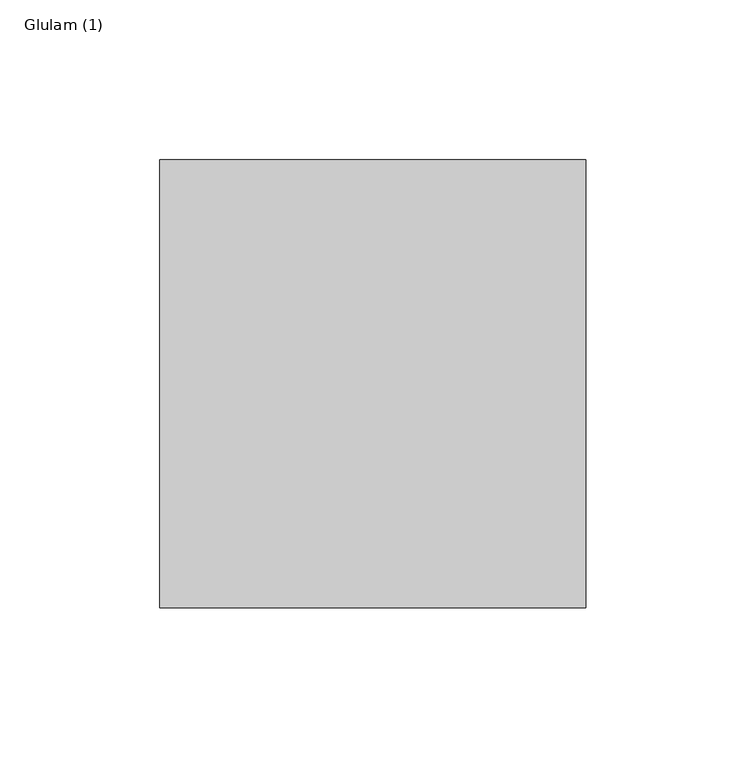
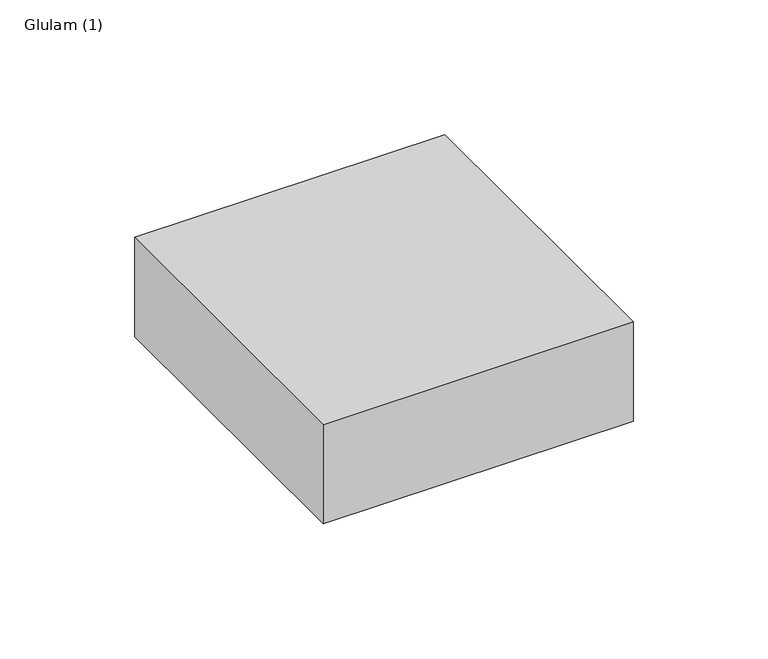
"""IFC4 building model written with IfcOpenShell, lengths in millimetres: beam geometry, Glulam (1)."""

from ifc_helpers import new_model, si_unit, frame, origin, place, context, project, spatial, polyline, outline, extrude, source, transform, mapped, element, save


def glulam_1_6f327d2e(model_context):
    return source(origin(), model_context, "Body", "SweptSolid", [
        extrude(outline(polyline([(-66.5, -70.0), (-66.5, 70.0), (66.5, 70.0), (66.5, -70.0), (-66.5, -70.0)])), frame((0.0, 0.0, -22.5), z_axis=(0.0, 0.0, 1.0), x_axis=(1.0, 0.0, 0.0)), (0.0, 0.0, 1.0), 45.0),
    ])


if __name__ == "__main__":
    model = new_model("IFC4")
    model_context = context("Model", 3, world=origin())
    ifc_project = project(units=[si_unit("LENGTHUNIT", "METRE", prefix="MILLI")], contexts=[model_context])
    site = spatial("IfcSite", under=ifc_project)
    building = spatial("IfcBuilding", under=site)
    placement = place(None, origin())
    glulam_1_shape = glulam_1_6f327d2e(model_context)
    element("IfcBeam", 1, ObjectType="Glulam (1)", at=placement, inside=building, context=model_context, shape_type="MappedRepresentation", body=[
        mapped(glulam_1_shape, transform((0.0, 0.0, 0.0), x_axis=(1.0, 0.0, 0.0), y_axis=(0.0, 1.0, 0.0), z_axis=(0.0, 0.0, 1.0))),
    ])
    save(model, "model.ifc")
